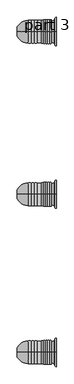
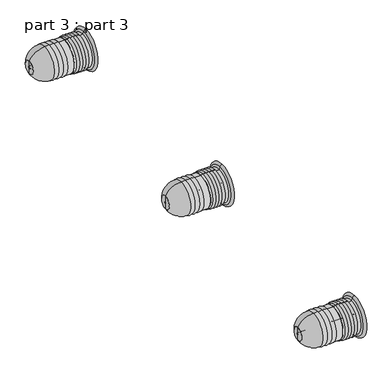
"""IFC4 building model written with IfcOpenShell, lengths in millimetres: proxy geometry, part 3 : part 3."""

from ifc_helpers import new_model, si_unit, point, frame, origin, place, context, project, spatial, polyline, circle_curve, ellipse_curve, trimmed, source, transform, mapped, element, save
from ifc_brep_helpers import plane_surface, cylinder_surface, revolved_surface, advanced_brep


def part_3_part_3_3fe7b2ac(model_context):
    return source(origin(), model_context, "Body", "AdvancedBrep", [
        advanced_brep(
        [(-408.9456276, -3143.5073921, 2492.4326799), (-408.9456276, -3143.5073921, 2707.5673201), (-447.179856, -3143.5073921, 2707.5673201), (-447.179856, -3143.5073921, 2492.4326799), (-408.9456276, -3143.5073921, 2593.5903117), (-408.9456276, -3143.5073921, 2606.4096883), (-638.9456276, -3143.5073921, 2593.5903117), (-638.9456276, -3143.5073921, 2606.4096883), (-638.9456276, -3143.5073921, 2556.0229916), (-638.9456276, -3143.5073921, 2643.9770084), (-537.179856, -3143.5073921, 2492.4326799), (-537.179856, -3143.5073921, 2707.5673201), (-507.179856, -3143.5073921, 2492.4326799), (-507.179856, -3143.5073921, 2707.5673201), (-477.179856, -3143.5073921, 2492.4326799), (-477.179856, -3143.5073921, 2707.5673201)],
        [
            (0, 1, circle_curve(frame((-408.9456276, -3143.5073921, 2600.0), z_axis=(-1.0, 0.0, 0.0), x_axis=(0.0, 0.0, 1.0)), 107.5673201)),
            (1, 2),
            (2, 3, circle_curve(frame((-447.179856, -3143.5073921, 2600.0), z_axis=(1.0, 0.0, 0.0), x_axis=(0.0, 0.0, 1.0)), 107.5673201)),
            (3, 0),
            (1, 0, circle_curve(frame((-408.9456276, -3143.5073921, 2600.0), z_axis=(-1.0, 0.0, 0.0), x_axis=(0.0, 0.0, 1.0)), 107.5673201)),
            (3, 2, circle_curve(frame((-447.179856, -3143.5073921, 2600.0), z_axis=(1.0, 0.0, 0.0), x_axis=(0.0, 0.0, 1.0)), 107.5673201)),
            (4, 5, circle_curve(frame((-408.9456276, -3143.5073921, 2600.0), z_axis=(-1.0, 0.0, 0.0), x_axis=(0.0, 0.0, 1.0)), 6.4096883)),
            (5, 1),
            (0, 4),
            (5, 4, circle_curve(frame((-408.9456276, -3143.5073921, 2600.0), z_axis=(-1.0, 0.0, 0.0), x_axis=(0.0, 0.0, 1.0)), 6.4096883)),
            (6, 7, circle_curve(frame((-638.9456276, -3143.5073921, 2600.0), z_axis=(-1.0, 0.0, 0.0), x_axis=(0.0, 0.0, 1.0)), 6.4096883)),
            (7, 5),
            (4, 6),
            (7, 6, circle_curve(frame((-638.9456276, -3143.5073921, 2600.0), z_axis=(-1.0, 0.0, 0.0), x_axis=(0.0, 0.0, 1.0)), 6.4096883)),
            (8, 9, circle_curve(frame((-638.9456276, -3143.5073921, 2600.0), z_axis=(-1.0, 0.0, 0.0), x_axis=(0.0, 0.0, 1.0)), 43.9770084)),
            (9, 7),
            (6, 8),
            (9, 8, circle_curve(frame((-638.9456276, -3143.5073921, 2600.0), z_axis=(-1.0, 0.0, 0.0), x_axis=(0.0, 0.0, 1.0)), 43.9770084)),
            (10, 11, circle_curve(frame((-537.179856, -3143.5073921, 2600.0), z_axis=(-1.0, 0.0, 0.0), x_axis=(0.0, 0.0, 1.0)), 107.5673201)),
            (11, 9, circle_curve(frame((-535.8773838, -3143.5073921, 2592.2581339), z_axis=(0.0, -1.0, 0.0), x_axis=(0.0, 0.0, -1.0)), 115.316542)),
            (8, 10, circle_curve(frame((-535.8773838, -3143.5073921, 2607.7418661), z_axis=(0.0, -1.0, 0.0), x_axis=(0.0, 0.0, 1.0)), 115.316542)),
            (11, 10, circle_curve(frame((-537.179856, -3143.5073921, 2600.0), z_axis=(-1.0, 0.0, 0.0), x_axis=(0.0, 0.0, 1.0)), 107.5673201)),
            (12, 13, circle_curve(frame((-507.179856, -3143.5073921, 2600.0), z_axis=(-1.0, 0.0, 0.0), x_axis=(0.0, 0.0, 1.0)), 107.5673201)),
            (13, 11, circle_curve(frame((-522.179856, -3143.5073921, 2665.6744089), z_axis=(0.0, -1.0, 0.0), x_axis=(0.0, 0.0, -1.0)), 44.4973708)),
            (10, 12, circle_curve(frame((-522.179856, -3143.5073921, 2534.3255911), z_axis=(0.0, -1.0, 0.0), x_axis=(0.0, 0.0, 1.0)), 44.4973708)),
            (13, 12, circle_curve(frame((-507.179856, -3143.5073921, 2600.0), z_axis=(-1.0, 0.0, 0.0), x_axis=(0.0, 0.0, 1.0)), 107.5673201)),
            (14, 15, circle_curve(frame((-477.179856, -3143.5073921, 2600.0), z_axis=(-1.0, 0.0, 0.0), x_axis=(0.0, 0.0, 1.0)), 107.5673201)),
            (15, 13, circle_curve(frame((-492.179856, -3143.5073921, 2665.6744089), z_axis=(0.0, -1.0, 0.0), x_axis=(0.0, 0.0, -1.0)), 44.4973708)),
            (12, 14, circle_curve(frame((-492.179856, -3143.5073921, 2534.3255911), z_axis=(0.0, -1.0, 0.0), x_axis=(0.0, 0.0, 1.0)), 44.4973708)),
            (15, 14, circle_curve(frame((-477.179856, -3143.5073921, 2600.0), z_axis=(-1.0, 0.0, 0.0), x_axis=(0.0, 0.0, 1.0)), 107.5673201)),
            (2, 15, circle_curve(frame((-462.179856, -3143.5073921, 2665.6744089), z_axis=(0.0, -1.0, 0.0), x_axis=(0.0, 0.0, -1.0)), 44.4973708)),
            (14, 3, circle_curve(frame((-462.179856, -3143.5073921, 2534.3255911), z_axis=(0.0, -1.0, 0.0), x_axis=(0.0, 0.0, 1.0)), 44.4973708)),
        ],
        [
            cylinder_surface(frame((-638.9456276, -3143.5073921, 2600.0), z_axis=(1.0, 0.0, 0.0), x_axis=(0.0, 0.0, 1.0)), 107.5673201),
            plane_surface(frame((-408.9456276, -3143.5073921, 2600.0), z_axis=(1.0, 0.0, 0.0), x_axis=(0.0, 0.0, 1.0))),
            revolved_surface(polyline([(-408.9456276, -3143.5073921, 2606.4096883), (-638.9456276, -3143.5073921, 2606.4096883)]), (-638.9456276, -3143.5073921, 2600.0), (1.0, 0.0, 0.0)),
            plane_surface(frame((-638.9456276, -3143.5073921, 2600.0), z_axis=(-1.0, 0.0, 0.0), x_axis=(0.0, 0.0, 1.0))),
            revolved_surface(trimmed(ellipse_curve(frame((-535.8773838, -3143.5073921, 2592.2581339), z_axis=(0.0, 1.0, 0.0), x_axis=(0.0, 0.0, -1.0)), 115.316542, 115.316542), [point((-638.9456276, -3143.5073921, 2643.9770084))], [point((-537.179856, -3143.5073921, 2707.5673201))], True, "CARTESIAN"), (-638.9456276, -3143.5073921, 2600.0), (1.0, 0.0, 0.0)),
            revolved_surface(trimmed(ellipse_curve(frame((-522.179856, -3143.5073921, 2665.6744089), z_axis=(0.0, 1.0, 0.0), x_axis=(0.0, 0.0, -1.0)), 44.4973708, 44.4973708), [point((-537.179856, -3143.5073921, 2707.5673201))], [point((-507.179856, -3143.5073921, 2707.5673201))], True, "CARTESIAN"), (-638.9456276, -3143.5073921, 2600.0), (1.0, 0.0, 0.0)),
            revolved_surface(trimmed(ellipse_curve(frame((-492.179856, -3143.5073921, 2665.6744089), z_axis=(0.0, 1.0, 0.0), x_axis=(0.0, 0.0, -1.0)), 44.4973708, 44.4973708), [point((-507.179856, -3143.5073921, 2707.5673201))], [point((-477.179856, -3143.5073921, 2707.5673201))], True, "CARTESIAN"), (-638.9456276, -3143.5073921, 2600.0), (1.0, 0.0, 0.0)),
            revolved_surface(trimmed(ellipse_curve(frame((-462.179856, -3143.5073921, 2665.6744089), z_axis=(0.0, 1.0, 0.0), x_axis=(0.0, 0.0, -1.0)), 44.4973708, 44.4973708), [point((-477.179856, -3143.5073921, 2707.5673201))], [point((-447.179856, -3143.5073921, 2707.5673201))], True, "CARTESIAN"), (-638.9456276, -3143.5073921, 2600.0), (1.0, 0.0, 0.0)),
        ],
        [
            (0, [[1, 2, 3, 4]]),
            (0, [[5, -4, 6, -2]]),
            (1, [[7, 8, -1, 9]]),
            (1, [[10, -9, -5, -8]]),
            (2, [[11, 12, -7, 13]]),
            (2, [[14, -13, -10, -12]]),
            (3, [[15, 16, -11, 17]]),
            (3, [[18, -17, -14, -16]]),
            (4, [[19, 20, -15, 21]]),
            (4, [[22, -21, -18, -20]]),
            (5, [[23, 24, -19, 25]]),
            (5, [[26, -25, -22, -24]]),
            (6, [[27, 28, -23, 29]]),
            (6, [[30, -29, -26, -28]]),
            (7, [[-3, 31, -27, 32]]),
            (7, [[-6, -32, -30, -31]]),
        ],
    ),
        advanced_brep(
        [(-372.179856, -3143.5073921, 2490.0), (-372.179856, -3143.5073921, 2710.0), (-392.179856, -3143.5073921, 2710.0), (-392.179856, -3143.5073921, 2490.0), (-352.179856, -3143.5073921, 2490.0), (-352.179856, -3143.5073921, 2710.0), (-332.179856, -3143.5073921, 2490.0), (-332.179856, -3143.5073921, 2710.0), (-312.179856, -3143.5073921, 2490.0), (-312.179856, -3143.5073921, 2710.0), (-312.179856, -3143.5073921, 2500.0), (-312.179856, -3143.5073921, 2700.0), (-288.8843297, -3143.5073921, 2492.2404893), (-288.8843297, -3143.5073921, 2707.7595107), (-267.179856, -3143.5073921, 2595.0), (-267.179856, -3143.5073921, 2605.0), (-267.179856, -3143.5073921, 2735.0), (-267.179856, -3143.5073921, 2465.0), (-407.179856, -3143.5073921, 2595.0), (-407.179856, -3143.5073921, 2605.0), (-407.179856, -3143.5073921, 2490.0), (-407.179856, -3143.5073921, 2710.0), (-281.3219917, -3143.5073921, 2479.1421356), (-281.3219917, -3143.5073921, 2720.8578644)],
        [
            (0, 1, circle_curve(frame((-372.179856, -3143.5073921, 2600.0), z_axis=(-1.0, 0.0, 0.0), x_axis=(0.0, 0.0, 1.0)), 110.0)),
            (1, 2, circle_curve(frame((-382.179856, -3143.5073921, 2701.2145309), z_axis=(0.0, -1.0, 0.0), x_axis=(0.0, 0.0, -1.0)), 13.3110656)),
            (2, 3, circle_curve(frame((-392.179856, -3143.5073921, 2600.0), z_axis=(1.0, 0.0, 0.0), x_axis=(0.0, 0.0, 1.0)), 110.0)),
            (3, 0, circle_curve(frame((-382.179856, -3143.5073921, 2498.7854691), z_axis=(0.0, -1.0, 0.0), x_axis=(0.0, 0.0, 1.0)), 13.3110656)),
            (1, 0, circle_curve(frame((-372.179856, -3143.5073921, 2600.0), z_axis=(-1.0, 0.0, 0.0), x_axis=(0.0, 0.0, 1.0)), 110.0)),
            (3, 2, circle_curve(frame((-392.179856, -3143.5073921, 2600.0), z_axis=(1.0, 0.0, 0.0), x_axis=(0.0, 0.0, 1.0)), 110.0)),
            (4, 5, circle_curve(frame((-352.179856, -3143.5073921, 2600.0), z_axis=(-1.0, 0.0, 0.0), x_axis=(0.0, 0.0, 1.0)), 110.0)),
            (5, 1, circle_curve(frame((-362.179856, -3143.5073921, 2701.2145309), z_axis=(0.0, -1.0, 0.0), x_axis=(0.0, 0.0, -1.0)), 13.3110656)),
            (0, 4, circle_curve(frame((-362.179856, -3143.5073921, 2498.7854691), z_axis=(0.0, -1.0, 0.0), x_axis=(0.0, 0.0, 1.0)), 13.3110656)),
            (5, 4, circle_curve(frame((-352.179856, -3143.5073921, 2600.0), z_axis=(-1.0, 0.0, 0.0), x_axis=(0.0, 0.0, 1.0)), 110.0)),
            (6, 7, circle_curve(frame((-332.179856, -3143.5073921, 2600.0), z_axis=(-1.0, 0.0, 0.0), x_axis=(0.0, 0.0, 1.0)), 110.0)),
            (7, 5, circle_curve(frame((-342.179856, -3143.5073921, 2701.2145309), z_axis=(0.0, -1.0, 0.0), x_axis=(0.0, 0.0, -1.0)), 13.3110656)),
            (4, 6, circle_curve(frame((-342.179856, -3143.5073921, 2498.7854691), z_axis=(0.0, -1.0, 0.0), x_axis=(0.0, 0.0, 1.0)), 13.3110656)),
            (7, 6, circle_curve(frame((-332.179856, -3143.5073921, 2600.0), z_axis=(-1.0, 0.0, 0.0), x_axis=(0.0, 0.0, 1.0)), 110.0)),
            (8, 9, circle_curve(frame((-312.179856, -3143.5073921, 2600.0), z_axis=(-1.0, 0.0, 0.0), x_axis=(0.0, 0.0, 1.0)), 110.0)),
            (9, 7, circle_curve(frame((-322.179856, -3143.5073921, 2701.2145309), z_axis=(0.0, -1.0, 0.0), x_axis=(0.0, 0.0, -1.0)), 13.3110656)),
            (6, 8, circle_curve(frame((-322.179856, -3143.5073921, 2498.7854691), z_axis=(0.0, -1.0, 0.0), x_axis=(0.0, 0.0, 1.0)), 13.3110656)),
            (9, 8, circle_curve(frame((-312.179856, -3143.5073921, 2600.0), z_axis=(-1.0, 0.0, 0.0), x_axis=(0.0, 0.0, 1.0)), 110.0)),
            (10, 11, circle_curve(frame((-312.179856, -3143.5073921, 2600.0), z_axis=(-1.0, 0.0, 0.0), x_axis=(0.0, 0.0, 1.0)), 100.0)),
            (11, 9),
            (8, 10),
            (11, 10, circle_curve(frame((-312.179856, -3143.5073921, 2600.0), z_axis=(-1.0, 0.0, 0.0), x_axis=(0.0, 0.0, 1.0)), 100.0)),
            (12, 13, circle_curve(frame((-288.8843297, -3143.5073921, 2600.0), z_axis=(-1.0, 0.0, 0.0), x_axis=(0.0, 0.0, 1.0)), 107.7595107)),
            (13, 11, circle_curve(frame((-267.179856, -3143.5073921, 2603.75), z_axis=(0.0, -1.0, 0.0), x_axis=(0.0, 0.0, -1.0)), 106.25)),
            (10, 12, circle_curve(frame((-267.179856, -3143.5073921, 2596.25), z_axis=(0.0, -1.0, 0.0), x_axis=(0.0, 0.0, 1.0)), 106.25)),
            (13, 12, circle_curve(frame((-288.8843297, -3143.5073921, 2600.0), z_axis=(-1.0, 0.0, 0.0), x_axis=(0.0, 0.0, 1.0)), 107.7595107)),
            (14, 15, circle_curve(frame((-267.179856, -3143.5073921, 2600.0), z_axis=(-1.0, 0.0, 0.0), x_axis=(0.0, 0.0, 1.0)), 5.0)),
            (15, 16),
            (16, 17, circle_curve(frame((-267.179856, -3143.5073921, 2600.0), z_axis=(1.0, 0.0, 0.0), x_axis=(0.0, 0.0, 1.0)), 135.0)),
            (17, 14),
            (15, 14, circle_curve(frame((-267.179856, -3143.5073921, 2600.0), z_axis=(-1.0, 0.0, 0.0), x_axis=(0.0, 0.0, 1.0)), 5.0)),
            (17, 16, circle_curve(frame((-267.179856, -3143.5073921, 2600.0), z_axis=(1.0, 0.0, 0.0), x_axis=(0.0, 0.0, 1.0)), 135.0)),
            (18, 19, circle_curve(frame((-407.179856, -3143.5073921, 2600.0), z_axis=(-1.0, 0.0, 0.0), x_axis=(0.0, 0.0, 1.0)), 5.0)),
            (19, 15),
            (14, 18),
            (19, 18, circle_curve(frame((-407.179856, -3143.5073921, 2600.0), z_axis=(-1.0, 0.0, 0.0), x_axis=(0.0, 0.0, 1.0)), 5.0)),
            (20, 21, circle_curve(frame((-407.179856, -3143.5073921, 2600.0), z_axis=(-1.0, 0.0, 0.0), x_axis=(0.0, 0.0, 1.0)), 110.0)),
            (21, 19),
            (18, 20),
            (21, 20, circle_curve(frame((-407.179856, -3143.5073921, 2600.0), z_axis=(-1.0, 0.0, 0.0), x_axis=(0.0, 0.0, 1.0)), 110.0)),
            (2, 21),
            (20, 3),
            (22, 23, circle_curve(frame((-281.3219917, -3143.5073921, 2600.0), z_axis=(-1.0, 0.0, 0.0), x_axis=(0.0, 0.0, 1.0)), 120.8578644)),
            (23, 13),
            (12, 22),
            (23, 22, circle_curve(frame((-281.3219917, -3143.5073921, 2600.0), z_axis=(-1.0, 0.0, 0.0), x_axis=(0.0, 0.0, 1.0)), 120.8578644)),
            (16, 23, circle_curve(frame((-267.179856, -3143.5073921, 2720.8578644), z_axis=(0.0, -1.0, 0.0), x_axis=(0.0, 0.0, -1.0)), 14.1421356)),
            (22, 17, circle_curve(frame((-267.179856, -3143.5073921, 2479.1421356), z_axis=(0.0, -1.0, 0.0), x_axis=(0.0, 0.0, 1.0)), 14.1421356)),
        ],
        [
            revolved_surface(trimmed(ellipse_curve(frame((-382.179856, -3143.5073921, 2701.2145309), z_axis=(0.0, 1.0, 0.0), x_axis=(0.0, 0.0, -1.0)), 13.3110656, 13.3110656), [point((-392.179856, -3143.5073921, 2710.0))], [point((-372.179856, -3143.5073921, 2710.0))], True, "CARTESIAN"), (-407.179856, -3143.5073921, 2600.0), (1.0, 0.0, 0.0)),
            revolved_surface(trimmed(ellipse_curve(frame((-362.179856, -3143.5073921, 2701.2145309), z_axis=(0.0, 1.0, 0.0), x_axis=(0.0, 0.0, -1.0)), 13.3110656, 13.3110656), [point((-372.179856, -3143.5073921, 2710.0))], [point((-352.179856, -3143.5073921, 2710.0))], True, "CARTESIAN"), (-407.179856, -3143.5073921, 2600.0), (1.0, 0.0, 0.0)),
            revolved_surface(trimmed(ellipse_curve(frame((-342.179856, -3143.5073921, 2701.2145309), z_axis=(0.0, 1.0, 0.0), x_axis=(0.0, 0.0, -1.0)), 13.3110656, 13.3110656), [point((-352.179856, -3143.5073921, 2710.0))], [point((-332.179856, -3143.5073921, 2710.0))], True, "CARTESIAN"), (-407.179856, -3143.5073921, 2600.0), (1.0, 0.0, 0.0)),
            revolved_surface(trimmed(ellipse_curve(frame((-322.179856, -3143.5073921, 2701.2145309), z_axis=(0.0, 1.0, 0.0), x_axis=(0.0, 0.0, -1.0)), 13.3110656, 13.3110656), [point((-332.179856, -3143.5073921, 2710.0))], [point((-312.179856, -3143.5073921, 2710.0))], True, "CARTESIAN"), (-407.179856, -3143.5073921, 2600.0), (1.0, 0.0, 0.0)),
            plane_surface(frame((-312.179856, -3143.5073921, 2600.0), z_axis=(1.0, 0.0, 0.0), x_axis=(0.0, 0.0, 1.0))),
            revolved_surface(trimmed(ellipse_curve(frame((-267.179856, -3143.5073921, 2603.75), z_axis=(0.0, 1.0, 0.0), x_axis=(0.0, 0.0, -1.0)), 106.25, 106.25), [point((-312.179856, -3143.5073921, 2700.0))], [point((-288.8843297, -3143.5073921, 2707.7595107))], True, "CARTESIAN"), (-407.179856, -3143.5073921, 2600.0), (1.0, 0.0, 0.0)),
            plane_surface(frame((-267.179856, -3143.5073921, 2600.0), z_axis=(1.0, 0.0, 0.0), x_axis=(0.0, 0.0, 1.0))),
            revolved_surface(polyline([(-267.179856, -3143.5073921, 2605.0), (-407.179856, -3143.5073921, 2605.0)]), (-407.179856, -3143.5073921, 2600.0), (1.0, 0.0, 0.0)),
            plane_surface(frame((-407.179856, -3143.5073921, 2600.0), z_axis=(-1.0, 0.0, 0.0), x_axis=(0.0, 0.0, 1.0))),
            cylinder_surface(frame((-407.179856, -3143.5073921, 2600.0), z_axis=(1.0, 0.0, 0.0), x_axis=(0.0, 0.0, 1.0)), 110.0),
            revolved_surface(polyline([(-288.8843297, -3143.5073921, 2707.7595107), (-281.3219917, -3143.5073921, 2720.8578644)]), (-407.179856, -3143.5073921, 2600.0), (1.0, 0.0, 0.0)),
            revolved_surface(trimmed(ellipse_curve(frame((-267.179856, -3143.5073921, 2720.8578644), z_axis=(0.0, 1.0, 0.0), x_axis=(0.0, 0.0, -1.0)), 14.1421356, 14.1421356), [point((-281.3219917, -3143.5073921, 2720.8578644))], [point((-267.179856, -3143.5073921, 2735.0))], True, "CARTESIAN"), (-407.179856, -3143.5073921, 2600.0), (1.0, 0.0, 0.0)),
        ],
        [
            (0, [[1, 2, 3, 4]]),
            (0, [[5, -4, 6, -2]]),
            (1, [[7, 8, -1, 9]]),
            (1, [[10, -9, -5, -8]]),
            (2, [[11, 12, -7, 13]]),
            (2, [[14, -13, -10, -12]]),
            (3, [[15, 16, -11, 17]]),
            (3, [[18, -17, -14, -16]]),
            (4, [[19, 20, -15, 21]]),
            (4, [[22, -21, -18, -20]]),
            (5, [[23, 24, -19, 25]]),
            (5, [[26, -25, -22, -24]]),
            (6, [[27, 28, 29, 30]]),
            (6, [[31, -30, 32, -28]]),
            (7, [[33, 34, -27, 35]]),
            (7, [[36, -35, -31, -34]]),
            (8, [[37, 38, -33, 39]]),
            (8, [[40, -39, -36, -38]]),
            (9, [[-3, 41, -37, 42]]),
            (9, [[-6, -42, -40, -41]]),
            (10, [[43, 44, -23, 45]]),
            (10, [[46, -45, -26, -44]]),
            (11, [[-29, 47, -43, 48]]),
            (11, [[-32, -48, -46, -47]]),
        ],
    ),
        advanced_brep(
        [(-408.9456276, -1643.5073921, 2492.4326799), (-408.9456276, -1643.5073921, 2707.5673201), (-447.179856, -1643.5073921, 2707.5673201), (-447.179856, -1643.5073921, 2492.4326799), (-408.9456276, -1643.5073921, 2593.5903117), (-408.9456276, -1643.5073921, 2606.4096883), (-638.9456276, -1643.5073921, 2593.5903117), (-638.9456276, -1643.5073921, 2606.4096883), (-638.9456276, -1643.5073921, 2556.0229916), (-638.9456276, -1643.5073921, 2643.9770084), (-537.179856, -1643.5073921, 2492.4326799), (-537.179856, -1643.5073921, 2707.5673201), (-507.179856, -1643.5073921, 2492.4326799), (-507.179856, -1643.5073921, 2707.5673201), (-477.179856, -1643.5073921, 2492.4326799), (-477.179856, -1643.5073921, 2707.5673201)],
        [
            (0, 1, circle_curve(frame((-408.9456276, -1643.5073921, 2600.0), z_axis=(-1.0, 0.0, 0.0), x_axis=(0.0, 0.0, 1.0)), 107.5673201)),
            (1, 2),
            (2, 3, circle_curve(frame((-447.179856, -1643.5073921, 2600.0), z_axis=(1.0, 0.0, 0.0), x_axis=(0.0, 0.0, 1.0)), 107.5673201)),
            (3, 0),
            (1, 0, circle_curve(frame((-408.9456276, -1643.5073921, 2600.0), z_axis=(-1.0, 0.0, 0.0), x_axis=(0.0, 0.0, 1.0)), 107.5673201)),
            (3, 2, circle_curve(frame((-447.179856, -1643.5073921, 2600.0), z_axis=(1.0, 0.0, 0.0), x_axis=(0.0, 0.0, 1.0)), 107.5673201)),
            (4, 5, circle_curve(frame((-408.9456276, -1643.5073921, 2600.0), z_axis=(-1.0, 0.0, 0.0), x_axis=(0.0, 0.0, 1.0)), 6.4096883)),
            (5, 1),
            (0, 4),
            (5, 4, circle_curve(frame((-408.9456276, -1643.5073921, 2600.0), z_axis=(-1.0, 0.0, 0.0), x_axis=(0.0, 0.0, 1.0)), 6.4096883)),
            (6, 7, circle_curve(frame((-638.9456276, -1643.5073921, 2600.0), z_axis=(-1.0, 0.0, 0.0), x_axis=(0.0, 0.0, 1.0)), 6.4096883)),
            (7, 5),
            (4, 6),
            (7, 6, circle_curve(frame((-638.9456276, -1643.5073921, 2600.0), z_axis=(-1.0, 0.0, 0.0), x_axis=(0.0, 0.0, 1.0)), 6.4096883)),
            (8, 9, circle_curve(frame((-638.9456276, -1643.5073921, 2600.0), z_axis=(-1.0, 0.0, 0.0), x_axis=(0.0, 0.0, 1.0)), 43.9770084)),
            (9, 7),
            (6, 8),
            (9, 8, circle_curve(frame((-638.9456276, -1643.5073921, 2600.0), z_axis=(-1.0, 0.0, 0.0), x_axis=(0.0, 0.0, 1.0)), 43.9770084)),
            (10, 11, circle_curve(frame((-537.179856, -1643.5073921, 2600.0), z_axis=(-1.0, 0.0, 0.0), x_axis=(0.0, 0.0, 1.0)), 107.5673201)),
            (11, 9, circle_curve(frame((-535.8773838, -1643.5073921, 2592.2581339), z_axis=(0.0, -1.0, 0.0), x_axis=(0.0, 0.0, -1.0)), 115.316542)),
            (8, 10, circle_curve(frame((-535.8773838, -1643.5073921, 2607.7418661), z_axis=(0.0, -1.0, 0.0), x_axis=(0.0, 0.0, 1.0)), 115.316542)),
            (11, 10, circle_curve(frame((-537.179856, -1643.5073921, 2600.0), z_axis=(-1.0, 0.0, 0.0), x_axis=(0.0, 0.0, 1.0)), 107.5673201)),
            (12, 13, circle_curve(frame((-507.179856, -1643.5073921, 2600.0), z_axis=(-1.0, 0.0, 0.0), x_axis=(0.0, 0.0, 1.0)), 107.5673201)),
            (13, 11, circle_curve(frame((-522.179856, -1643.5073921, 2665.6744089), z_axis=(0.0, -1.0, 0.0), x_axis=(0.0, 0.0, -1.0)), 44.4973708)),
            (10, 12, circle_curve(frame((-522.179856, -1643.5073921, 2534.3255911), z_axis=(0.0, -1.0, 0.0), x_axis=(0.0, 0.0, 1.0)), 44.4973708)),
            (13, 12, circle_curve(frame((-507.179856, -1643.5073921, 2600.0), z_axis=(-1.0, 0.0, 0.0), x_axis=(0.0, 0.0, 1.0)), 107.5673201)),
            (14, 15, circle_curve(frame((-477.179856, -1643.5073921, 2600.0), z_axis=(-1.0, 0.0, 0.0), x_axis=(0.0, 0.0, 1.0)), 107.5673201)),
            (15, 13, circle_curve(frame((-492.179856, -1643.5073921, 2665.6744089), z_axis=(0.0, -1.0, 0.0), x_axis=(0.0, 0.0, -1.0)), 44.4973708)),
            (12, 14, circle_curve(frame((-492.179856, -1643.5073921, 2534.3255911), z_axis=(0.0, -1.0, 0.0), x_axis=(0.0, 0.0, 1.0)), 44.4973708)),
            (15, 14, circle_curve(frame((-477.179856, -1643.5073921, 2600.0), z_axis=(-1.0, 0.0, 0.0), x_axis=(0.0, 0.0, 1.0)), 107.5673201)),
            (2, 15, circle_curve(frame((-462.179856, -1643.5073921, 2665.6744089), z_axis=(0.0, -1.0, 0.0), x_axis=(0.0, 0.0, -1.0)), 44.4973708)),
            (14, 3, circle_curve(frame((-462.179856, -1643.5073921, 2534.3255911), z_axis=(0.0, -1.0, 0.0), x_axis=(0.0, 0.0, 1.0)), 44.4973708)),
        ],
        [
            cylinder_surface(frame((-638.9456276, -1643.5073921, 2600.0), z_axis=(1.0, 0.0, 0.0), x_axis=(0.0, 0.0, 1.0)), 107.5673201),
            plane_surface(frame((-408.9456276, -1643.5073921, 2600.0), z_axis=(1.0, 0.0, 0.0), x_axis=(0.0, 0.0, 1.0))),
            revolved_surface(polyline([(-408.9456276, -1643.5073921, 2606.4096883), (-638.9456276, -1643.5073921, 2606.4096883)]), (-638.9456276, -1643.5073921, 2600.0), (1.0, 0.0, 0.0)),
            plane_surface(frame((-638.9456276, -1643.5073921, 2600.0), z_axis=(-1.0, 0.0, 0.0), x_axis=(0.0, 0.0, 1.0))),
            revolved_surface(trimmed(ellipse_curve(frame((-535.8773838, -1643.5073921, 2592.2581339), z_axis=(0.0, 1.0, 0.0), x_axis=(0.0, 0.0, -1.0)), 115.316542, 115.316542), [point((-638.9456276, -1643.5073921, 2643.9770084))], [point((-537.179856, -1643.5073921, 2707.5673201))], True, "CARTESIAN"), (-638.9456276, -1643.5073921, 2600.0), (1.0, 0.0, 0.0)),
            revolved_surface(trimmed(ellipse_curve(frame((-522.179856, -1643.5073921, 2665.6744089), z_axis=(0.0, 1.0, 0.0), x_axis=(0.0, 0.0, -1.0)), 44.4973708, 44.4973708), [point((-537.179856, -1643.5073921, 2707.5673201))], [point((-507.179856, -1643.5073921, 2707.5673201))], True, "CARTESIAN"), (-638.9456276, -1643.5073921, 2600.0), (1.0, 0.0, 0.0)),
            revolved_surface(trimmed(ellipse_curve(frame((-492.179856, -1643.5073921, 2665.6744089), z_axis=(0.0, 1.0, 0.0), x_axis=(0.0, 0.0, -1.0)), 44.4973708, 44.4973708), [point((-507.179856, -1643.5073921, 2707.5673201))], [point((-477.179856, -1643.5073921, 2707.5673201))], True, "CARTESIAN"), (-638.9456276, -1643.5073921, 2600.0), (1.0, 0.0, 0.0)),
            revolved_surface(trimmed(ellipse_curve(frame((-462.179856, -1643.5073921, 2665.6744089), z_axis=(0.0, 1.0, 0.0), x_axis=(0.0, 0.0, -1.0)), 44.4973708, 44.4973708), [point((-477.179856, -1643.5073921, 2707.5673201))], [point((-447.179856, -1643.5073921, 2707.5673201))], True, "CARTESIAN"), (-638.9456276, -1643.5073921, 2600.0), (1.0, 0.0, 0.0)),
        ],
        [
            (0, [[1, 2, 3, 4]]),
            (0, [[5, -4, 6, -2]]),
            (1, [[7, 8, -1, 9]]),
            (1, [[10, -9, -5, -8]]),
            (2, [[11, 12, -7, 13]]),
            (2, [[14, -13, -10, -12]]),
            (3, [[15, 16, -11, 17]]),
            (3, [[18, -17, -14, -16]]),
            (4, [[19, 20, -15, 21]]),
            (4, [[22, -21, -18, -20]]),
            (5, [[23, 24, -19, 25]]),
            (5, [[26, -25, -22, -24]]),
            (6, [[27, 28, -23, 29]]),
            (6, [[30, -29, -26, -28]]),
            (7, [[-3, 31, -27, 32]]),
            (7, [[-6, -32, -30, -31]]),
        ],
    ),
        advanced_brep(
        [(-372.179856, -1643.5073921, 2490.0), (-372.179856, -1643.5073921, 2710.0), (-392.179856, -1643.5073921, 2710.0), (-392.179856, -1643.5073921, 2490.0), (-352.179856, -1643.5073921, 2490.0), (-352.179856, -1643.5073921, 2710.0), (-332.179856, -1643.5073921, 2490.0), (-332.179856, -1643.5073921, 2710.0), (-312.179856, -1643.5073921, 2490.0), (-312.179856, -1643.5073921, 2710.0), (-312.179856, -1643.5073921, 2500.0), (-312.179856, -1643.5073921, 2700.0), (-288.8843297, -1643.5073921, 2492.2404893), (-288.8843297, -1643.5073921, 2707.7595107), (-267.179856, -1643.5073921, 2595.0), (-267.179856, -1643.5073921, 2605.0), (-267.179856, -1643.5073921, 2735.0), (-267.179856, -1643.5073921, 2465.0), (-407.179856, -1643.5073921, 2595.0), (-407.179856, -1643.5073921, 2605.0), (-407.179856, -1643.5073921, 2490.0), (-407.179856, -1643.5073921, 2710.0), (-281.3219917, -1643.5073921, 2479.1421356), (-281.3219917, -1643.5073921, 2720.8578644)],
        [
            (0, 1, circle_curve(frame((-372.179856, -1643.5073921, 2600.0), z_axis=(-1.0, 0.0, 0.0), x_axis=(0.0, 0.0, 1.0)), 110.0)),
            (1, 2, circle_curve(frame((-382.179856, -1643.5073921, 2701.2145309), z_axis=(0.0, -1.0, 0.0), x_axis=(0.0, 0.0, -1.0)), 13.3110656)),
            (2, 3, circle_curve(frame((-392.179856, -1643.5073921, 2600.0), z_axis=(1.0, 0.0, 0.0), x_axis=(0.0, 0.0, 1.0)), 110.0)),
            (3, 0, circle_curve(frame((-382.179856, -1643.5073921, 2498.7854691), z_axis=(0.0, -1.0, 0.0), x_axis=(0.0, 0.0, 1.0)), 13.3110656)),
            (1, 0, circle_curve(frame((-372.179856, -1643.5073921, 2600.0), z_axis=(-1.0, 0.0, 0.0), x_axis=(0.0, 0.0, 1.0)), 110.0)),
            (3, 2, circle_curve(frame((-392.179856, -1643.5073921, 2600.0), z_axis=(1.0, 0.0, 0.0), x_axis=(0.0, 0.0, 1.0)), 110.0)),
            (4, 5, circle_curve(frame((-352.179856, -1643.5073921, 2600.0), z_axis=(-1.0, 0.0, 0.0), x_axis=(0.0, 0.0, 1.0)), 110.0)),
            (5, 1, circle_curve(frame((-362.179856, -1643.5073921, 2701.2145309), z_axis=(0.0, -1.0, 0.0), x_axis=(0.0, 0.0, -1.0)), 13.3110656)),
            (0, 4, circle_curve(frame((-362.179856, -1643.5073921, 2498.7854691), z_axis=(0.0, -1.0, 0.0), x_axis=(0.0, 0.0, 1.0)), 13.3110656)),
            (5, 4, circle_curve(frame((-352.179856, -1643.5073921, 2600.0), z_axis=(-1.0, 0.0, 0.0), x_axis=(0.0, 0.0, 1.0)), 110.0)),
            (6, 7, circle_curve(frame((-332.179856, -1643.5073921, 2600.0), z_axis=(-1.0, 0.0, 0.0), x_axis=(0.0, 0.0, 1.0)), 110.0)),
            (7, 5, circle_curve(frame((-342.179856, -1643.5073921, 2701.2145309), z_axis=(0.0, -1.0, 0.0), x_axis=(0.0, 0.0, -1.0)), 13.3110656)),
            (4, 6, circle_curve(frame((-342.179856, -1643.5073921, 2498.7854691), z_axis=(0.0, -1.0, 0.0), x_axis=(0.0, 0.0, 1.0)), 13.3110656)),
            (7, 6, circle_curve(frame((-332.179856, -1643.5073921, 2600.0), z_axis=(-1.0, 0.0, 0.0), x_axis=(0.0, 0.0, 1.0)), 110.0)),
            (8, 9, circle_curve(frame((-312.179856, -1643.5073921, 2600.0), z_axis=(-1.0, 0.0, 0.0), x_axis=(0.0, 0.0, 1.0)), 110.0)),
            (9, 7, circle_curve(frame((-322.179856, -1643.5073921, 2701.2145309), z_axis=(0.0, -1.0, 0.0), x_axis=(0.0, 0.0, -1.0)), 13.3110656)),
            (6, 8, circle_curve(frame((-322.179856, -1643.5073921, 2498.7854691), z_axis=(0.0, -1.0, 0.0), x_axis=(0.0, 0.0, 1.0)), 13.3110656)),
            (9, 8, circle_curve(frame((-312.179856, -1643.5073921, 2600.0), z_axis=(-1.0, 0.0, 0.0), x_axis=(0.0, 0.0, 1.0)), 110.0)),
            (10, 11, circle_curve(frame((-312.179856, -1643.5073921, 2600.0), z_axis=(-1.0, 0.0, 0.0), x_axis=(0.0, 0.0, 1.0)), 100.0)),
            (11, 9),
            (8, 10),
            (11, 10, circle_curve(frame((-312.179856, -1643.5073921, 2600.0), z_axis=(-1.0, 0.0, 0.0), x_axis=(0.0, 0.0, 1.0)), 100.0)),
            (12, 13, circle_curve(frame((-288.8843297, -1643.5073921, 2600.0), z_axis=(-1.0, 0.0, 0.0), x_axis=(0.0, 0.0, 1.0)), 107.7595107)),
            (13, 11, circle_curve(frame((-267.179856, -1643.5073921, 2603.75), z_axis=(0.0, -1.0, 0.0), x_axis=(0.0, 0.0, -1.0)), 106.25)),
            (10, 12, circle_curve(frame((-267.179856, -1643.5073921, 2596.25), z_axis=(0.0, -1.0, 0.0), x_axis=(0.0, 0.0, 1.0)), 106.25)),
            (13, 12, circle_curve(frame((-288.8843297, -1643.5073921, 2600.0), z_axis=(-1.0, 0.0, 0.0), x_axis=(0.0, 0.0, 1.0)), 107.7595107)),
            (14, 15, circle_curve(frame((-267.179856, -1643.5073921, 2600.0), z_axis=(-1.0, 0.0, 0.0), x_axis=(0.0, 0.0, 1.0)), 5.0)),
            (15, 16),
            (16, 17, circle_curve(frame((-267.179856, -1643.5073921, 2600.0), z_axis=(1.0, 0.0, 0.0), x_axis=(0.0, 0.0, 1.0)), 135.0)),
            (17, 14),
            (15, 14, circle_curve(frame((-267.179856, -1643.5073921, 2600.0), z_axis=(-1.0, 0.0, 0.0), x_axis=(0.0, 0.0, 1.0)), 5.0)),
            (17, 16, circle_curve(frame((-267.179856, -1643.5073921, 2600.0), z_axis=(1.0, 0.0, 0.0), x_axis=(0.0, 0.0, 1.0)), 135.0)),
            (18, 19, circle_curve(frame((-407.179856, -1643.5073921, 2600.0), z_axis=(-1.0, 0.0, 0.0), x_axis=(0.0, 0.0, 1.0)), 5.0)),
            (19, 15),
            (14, 18),
            (19, 18, circle_curve(frame((-407.179856, -1643.5073921, 2600.0), z_axis=(-1.0, 0.0, 0.0), x_axis=(0.0, 0.0, 1.0)), 5.0)),
            (20, 21, circle_curve(frame((-407.179856, -1643.5073921, 2600.0), z_axis=(-1.0, 0.0, 0.0), x_axis=(0.0, 0.0, 1.0)), 110.0)),
            (21, 19),
            (18, 20),
            (21, 20, circle_curve(frame((-407.179856, -1643.5073921, 2600.0), z_axis=(-1.0, 0.0, 0.0), x_axis=(0.0, 0.0, 1.0)), 110.0)),
            (2, 21),
            (20, 3),
            (22, 23, circle_curve(frame((-281.3219917, -1643.5073921, 2600.0), z_axis=(-1.0, 0.0, 0.0), x_axis=(0.0, 0.0, 1.0)), 120.8578644)),
            (23, 13),
            (12, 22),
            (23, 22, circle_curve(frame((-281.3219917, -1643.5073921, 2600.0), z_axis=(-1.0, 0.0, 0.0), x_axis=(0.0, 0.0, 1.0)), 120.8578644)),
            (16, 23, circle_curve(frame((-267.179856, -1643.5073921, 2720.8578644), z_axis=(0.0, -1.0, 0.0), x_axis=(0.0, 0.0, -1.0)), 14.1421356)),
            (22, 17, circle_curve(frame((-267.179856, -1643.5073921, 2479.1421356), z_axis=(0.0, -1.0, 0.0), x_axis=(0.0, 0.0, 1.0)), 14.1421356)),
        ],
        [
            revolved_surface(trimmed(ellipse_curve(frame((-382.179856, -1643.5073921, 2701.2145309), z_axis=(0.0, 1.0, 0.0), x_axis=(0.0, 0.0, -1.0)), 13.3110656, 13.3110656), [point((-392.179856, -1643.5073921, 2710.0))], [point((-372.179856, -1643.5073921, 2710.0))], True, "CARTESIAN"), (-407.179856, -1643.5073921, 2600.0), (1.0, 0.0, 0.0)),
            revolved_surface(trimmed(ellipse_curve(frame((-362.179856, -1643.5073921, 2701.2145309), z_axis=(0.0, 1.0, 0.0), x_axis=(0.0, 0.0, -1.0)), 13.3110656, 13.3110656), [point((-372.179856, -1643.5073921, 2710.0))], [point((-352.179856, -1643.5073921, 2710.0))], True, "CARTESIAN"), (-407.179856, -1643.5073921, 2600.0), (1.0, 0.0, 0.0)),
            revolved_surface(trimmed(ellipse_curve(frame((-342.179856, -1643.5073921, 2701.2145309), z_axis=(0.0, 1.0, 0.0), x_axis=(0.0, 0.0, -1.0)), 13.3110656, 13.3110656), [point((-352.179856, -1643.5073921, 2710.0))], [point((-332.179856, -1643.5073921, 2710.0))], True, "CARTESIAN"), (-407.179856, -1643.5073921, 2600.0), (1.0, 0.0, 0.0)),
            revolved_surface(trimmed(ellipse_curve(frame((-322.179856, -1643.5073921, 2701.2145309), z_axis=(0.0, 1.0, 0.0), x_axis=(0.0, 0.0, -1.0)), 13.3110656, 13.3110656), [point((-332.179856, -1643.5073921, 2710.0))], [point((-312.179856, -1643.5073921, 2710.0))], True, "CARTESIAN"), (-407.179856, -1643.5073921, 2600.0), (1.0, 0.0, 0.0)),
            plane_surface(frame((-312.179856, -1643.5073921, 2600.0), z_axis=(1.0, 0.0, 0.0), x_axis=(0.0, 0.0, 1.0))),
            revolved_surface(trimmed(ellipse_curve(frame((-267.179856, -1643.5073921, 2603.75), z_axis=(0.0, 1.0, 0.0), x_axis=(0.0, 0.0, -1.0)), 106.25, 106.25), [point((-312.179856, -1643.5073921, 2700.0))], [point((-288.8843297, -1643.5073921, 2707.7595107))], True, "CARTESIAN"), (-407.179856, -1643.5073921, 2600.0), (1.0, 0.0, 0.0)),
            plane_surface(frame((-267.179856, -1643.5073921, 2600.0), z_axis=(1.0, 0.0, 0.0), x_axis=(0.0, 0.0, 1.0))),
            revolved_surface(polyline([(-267.179856, -1643.5073921, 2605.0), (-407.179856, -1643.5073921, 2605.0)]), (-407.179856, -1643.5073921, 2600.0), (1.0, 0.0, 0.0)),
            plane_surface(frame((-407.179856, -1643.5073921, 2600.0), z_axis=(-1.0, 0.0, 0.0), x_axis=(0.0, 0.0, 1.0))),
            cylinder_surface(frame((-407.179856, -1643.5073921, 2600.0), z_axis=(1.0, 0.0, 0.0), x_axis=(0.0, 0.0, 1.0)), 110.0),
            revolved_surface(polyline([(-288.8843297, -1643.5073921, 2707.7595107), (-281.3219917, -1643.5073921, 2720.8578644)]), (-407.179856, -1643.5073921, 2600.0), (1.0, 0.0, 0.0)),
            revolved_surface(trimmed(ellipse_curve(frame((-267.179856, -1643.5073921, 2720.8578644), z_axis=(0.0, 1.0, 0.0), x_axis=(0.0, 0.0, -1.0)), 14.1421356, 14.1421356), [point((-281.3219917, -1643.5073921, 2720.8578644))], [point((-267.179856, -1643.5073921, 2735.0))], True, "CARTESIAN"), (-407.179856, -1643.5073921, 2600.0), (1.0, 0.0, 0.0)),
        ],
        [
            (0, [[1, 2, 3, 4]]),
            (0, [[5, -4, 6, -2]]),
            (1, [[7, 8, -1, 9]]),
            (1, [[10, -9, -5, -8]]),
            (2, [[11, 12, -7, 13]]),
            (2, [[14, -13, -10, -12]]),
            (3, [[15, 16, -11, 17]]),
            (3, [[18, -17, -14, -16]]),
            (4, [[19, 20, -15, 21]]),
            (4, [[22, -21, -18, -20]]),
            (5, [[23, 24, -19, 25]]),
            (5, [[26, -25, -22, -24]]),
            (6, [[27, 28, 29, 30]]),
            (6, [[31, -30, 32, -28]]),
            (7, [[33, 34, -27, 35]]),
            (7, [[36, -35, -31, -34]]),
            (8, [[37, 38, -33, 39]]),
            (8, [[40, -39, -36, -38]]),
            (9, [[-3, 41, -37, 42]]),
            (9, [[-6, -42, -40, -41]]),
            (10, [[43, 44, -23, 45]]),
            (10, [[46, -45, -26, -44]]),
            (11, [[-29, 47, -43, 48]]),
            (11, [[-32, -48, -46, -47]]),
        ],
    ),
        advanced_brep(
        [(-408.9456276, -100.0, 2492.4326799), (-408.9456276, -100.0, 2707.5673201), (-447.179856, -100.0, 2707.5673201), (-447.179856, -100.0, 2492.4326799), (-408.9456276, -100.0, 2593.5903117), (-408.9456276, -100.0, 2606.4096883), (-638.9456276, -100.0, 2593.5903117), (-638.9456276, -100.0, 2606.4096883), (-638.9456276, -100.0, 2556.0229916), (-638.9456276, -100.0, 2643.9770084), (-537.179856, -100.0, 2492.4326799), (-537.179856, -100.0, 2707.5673201), (-507.179856, -100.0, 2492.4326799), (-507.179856, -100.0, 2707.5673201), (-477.179856, -100.0, 2492.4326799), (-477.179856, -100.0, 2707.5673201)],
        [
            (0, 1, circle_curve(frame((-408.9456276, -100.0, 2600.0), z_axis=(-1.0, 0.0, 0.0), x_axis=(0.0, 0.0, 1.0)), 107.5673201)),
            (1, 2),
            (2, 3, circle_curve(frame((-447.179856, -100.0, 2600.0), z_axis=(1.0, 0.0, 0.0), x_axis=(0.0, 0.0, 1.0)), 107.5673201)),
            (3, 0),
            (1, 0, circle_curve(frame((-408.9456276, -100.0, 2600.0), z_axis=(-1.0, 0.0, 0.0), x_axis=(0.0, 0.0, 1.0)), 107.5673201)),
            (3, 2, circle_curve(frame((-447.179856, -100.0, 2600.0), z_axis=(1.0, 0.0, 0.0), x_axis=(0.0, 0.0, 1.0)), 107.5673201)),
            (4, 5, circle_curve(frame((-408.9456276, -100.0, 2600.0), z_axis=(-1.0, 0.0, 0.0), x_axis=(0.0, 0.0, 1.0)), 6.4096883)),
            (5, 1),
            (0, 4),
            (5, 4, circle_curve(frame((-408.9456276, -100.0, 2600.0), z_axis=(-1.0, 0.0, 0.0), x_axis=(0.0, 0.0, 1.0)), 6.4096883)),
            (6, 7, circle_curve(frame((-638.9456276, -100.0, 2600.0), z_axis=(-1.0, 0.0, 0.0), x_axis=(0.0, 0.0, 1.0)), 6.4096883)),
            (7, 5),
            (4, 6),
            (7, 6, circle_curve(frame((-638.9456276, -100.0, 2600.0), z_axis=(-1.0, 0.0, 0.0), x_axis=(0.0, 0.0, 1.0)), 6.4096883)),
            (8, 9, circle_curve(frame((-638.9456276, -100.0, 2600.0), z_axis=(-1.0, 0.0, 0.0), x_axis=(0.0, 0.0, 1.0)), 43.9770084)),
            (9, 7),
            (6, 8),
            (9, 8, circle_curve(frame((-638.9456276, -100.0, 2600.0), z_axis=(-1.0, 0.0, 0.0), x_axis=(0.0, 0.0, 1.0)), 43.9770084)),
            (10, 11, circle_curve(frame((-537.179856, -100.0, 2600.0), z_axis=(-1.0, 0.0, 0.0), x_axis=(0.0, 0.0, 1.0)), 107.5673201)),
            (11, 9, circle_curve(frame((-535.8773838, -100.0, 2592.2581339), z_axis=(0.0, -1.0, 0.0), x_axis=(0.0, 0.0, -1.0)), 115.316542)),
            (8, 10, circle_curve(frame((-535.8773838, -100.0, 2607.7418661), z_axis=(0.0, -1.0, 0.0), x_axis=(0.0, 0.0, 1.0)), 115.316542)),
            (11, 10, circle_curve(frame((-537.179856, -100.0, 2600.0), z_axis=(-1.0, 0.0, 0.0), x_axis=(0.0, 0.0, 1.0)), 107.5673201)),
            (12, 13, circle_curve(frame((-507.179856, -100.0, 2600.0), z_axis=(-1.0, 0.0, 0.0), x_axis=(0.0, 0.0, 1.0)), 107.5673201)),
            (13, 11, circle_curve(frame((-522.179856, -100.0, 2665.6744089), z_axis=(0.0, -1.0, 0.0), x_axis=(0.0, 0.0, -1.0)), 44.4973708)),
            (10, 12, circle_curve(frame((-522.179856, -100.0, 2534.3255911), z_axis=(0.0, -1.0, 0.0), x_axis=(0.0, 0.0, 1.0)), 44.4973708)),
            (13, 12, circle_curve(frame((-507.179856, -100.0, 2600.0), z_axis=(-1.0, 0.0, 0.0), x_axis=(0.0, 0.0, 1.0)), 107.5673201)),
            (14, 15, circle_curve(frame((-477.179856, -100.0, 2600.0), z_axis=(-1.0, 0.0, 0.0), x_axis=(0.0, 0.0, 1.0)), 107.5673201)),
            (15, 13, circle_curve(frame((-492.179856, -100.0, 2665.6744089), z_axis=(0.0, -1.0, 0.0), x_axis=(0.0, 0.0, -1.0)), 44.4973708)),
            (12, 14, circle_curve(frame((-492.179856, -100.0, 2534.3255911), z_axis=(0.0, -1.0, 0.0), x_axis=(0.0, 0.0, 1.0)), 44.4973708)),
            (15, 14, circle_curve(frame((-477.179856, -100.0, 2600.0), z_axis=(-1.0, 0.0, 0.0), x_axis=(0.0, 0.0, 1.0)), 107.5673201)),
            (2, 15, circle_curve(frame((-462.179856, -100.0, 2665.6744089), z_axis=(0.0, -1.0, 0.0), x_axis=(0.0, 0.0, -1.0)), 44.4973708)),
            (14, 3, circle_curve(frame((-462.179856, -100.0, 2534.3255911), z_axis=(0.0, -1.0, 0.0), x_axis=(0.0, 0.0, 1.0)), 44.4973708)),
        ],
        [
            cylinder_surface(frame((-638.9456276, -100.0, 2600.0), z_axis=(1.0, 0.0, 0.0), x_axis=(0.0, 0.0, 1.0)), 107.5673201),
            plane_surface(frame((-408.9456276, -100.0, 2600.0), z_axis=(1.0, 0.0, 0.0), x_axis=(0.0, 0.0, 1.0))),
            revolved_surface(polyline([(-408.9456276, -100.0, 2606.4096883), (-638.9456276, -100.0, 2606.4096883)]), (-638.9456276, -100.0, 2600.0), (1.0, 0.0, 0.0)),
            plane_surface(frame((-638.9456276, -100.0, 2600.0), z_axis=(-1.0, 0.0, 0.0), x_axis=(0.0, 0.0, 1.0))),
            revolved_surface(trimmed(ellipse_curve(frame((-535.8773838, -100.0, 2592.2581339), z_axis=(0.0, 1.0, 0.0), x_axis=(0.0, 0.0, -1.0)), 115.316542, 115.316542), [point((-638.9456276, -100.0, 2643.9770084))], [point((-537.179856, -100.0, 2707.5673201))], True, "CARTESIAN"), (-638.9456276, -100.0, 2600.0), (1.0, 0.0, 0.0)),
            revolved_surface(trimmed(ellipse_curve(frame((-522.179856, -100.0, 2665.6744089), z_axis=(0.0, 1.0, 0.0), x_axis=(0.0, 0.0, -1.0)), 44.4973708, 44.4973708), [point((-537.179856, -100.0, 2707.5673201))], [point((-507.179856, -100.0, 2707.5673201))], True, "CARTESIAN"), (-638.9456276, -100.0, 2600.0), (1.0, 0.0, 0.0)),
            revolved_surface(trimmed(ellipse_curve(frame((-492.179856, -100.0, 2665.6744089), z_axis=(0.0, 1.0, 0.0), x_axis=(0.0, 0.0, -1.0)), 44.4973708, 44.4973708), [point((-507.179856, -100.0, 2707.5673201))], [point((-477.179856, -100.0, 2707.5673201))], True, "CARTESIAN"), (-638.9456276, -100.0, 2600.0), (1.0, 0.0, 0.0)),
            revolved_surface(trimmed(ellipse_curve(frame((-462.179856, -100.0, 2665.6744089), z_axis=(0.0, 1.0, 0.0), x_axis=(0.0, 0.0, -1.0)), 44.4973708, 44.4973708), [point((-477.179856, -100.0, 2707.5673201))], [point((-447.179856, -100.0, 2707.5673201))], True, "CARTESIAN"), (-638.9456276, -100.0, 2600.0), (1.0, 0.0, 0.0)),
        ],
        [
            (0, [[1, 2, 3, 4]]),
            (0, [[5, -4, 6, -2]]),
            (1, [[7, 8, -1, 9]]),
            (1, [[10, -9, -5, -8]]),
            (2, [[11, 12, -7, 13]]),
            (2, [[14, -13, -10, -12]]),
            (3, [[15, 16, -11, 17]]),
            (3, [[18, -17, -14, -16]]),
            (4, [[19, 20, -15, 21]]),
            (4, [[22, -21, -18, -20]]),
            (5, [[23, 24, -19, 25]]),
            (5, [[26, -25, -22, -24]]),
            (6, [[27, 28, -23, 29]]),
            (6, [[30, -29, -26, -28]]),
            (7, [[-3, 31, -27, 32]]),
            (7, [[-6, -32, -30, -31]]),
        ],
    ),
        advanced_brep(
        [(-372.179856, -100.0, 2490.0), (-372.179856, -100.0, 2710.0), (-392.179856, -100.0, 2710.0), (-392.179856, -100.0, 2490.0), (-352.179856, -100.0, 2490.0), (-352.179856, -100.0, 2710.0), (-332.179856, -100.0, 2490.0), (-332.179856, -100.0, 2710.0), (-312.179856, -100.0, 2490.0), (-312.179856, -100.0, 2710.0), (-312.179856, -100.0, 2500.0), (-312.179856, -100.0, 2700.0), (-288.8843297, -100.0, 2492.2404893), (-288.8843297, -100.0, 2707.7595107), (-267.179856, -100.0, 2595.0), (-267.179856, -100.0, 2605.0), (-267.179856, -100.0, 2735.0), (-267.179856, -100.0, 2465.0), (-407.179856, -100.0, 2595.0), (-407.179856, -100.0, 2605.0), (-407.179856, -100.0, 2490.0), (-407.179856, -100.0, 2710.0), (-281.3219917, -100.0, 2479.1421356), (-281.3219917, -100.0, 2720.8578644)],
        [
            (0, 1, circle_curve(frame((-372.179856, -100.0, 2600.0), z_axis=(-1.0, 0.0, 0.0), x_axis=(0.0, 0.0, 1.0)), 110.0)),
            (1, 2, circle_curve(frame((-382.179856, -100.0, 2701.2145309), z_axis=(0.0, -1.0, 0.0), x_axis=(0.0, 0.0, -1.0)), 13.3110656)),
            (2, 3, circle_curve(frame((-392.179856, -100.0, 2600.0), z_axis=(1.0, 0.0, 0.0), x_axis=(0.0, 0.0, 1.0)), 110.0)),
            (3, 0, circle_curve(frame((-382.179856, -100.0, 2498.7854691), z_axis=(0.0, -1.0, 0.0), x_axis=(0.0, 0.0, 1.0)), 13.3110656)),
            (1, 0, circle_curve(frame((-372.179856, -100.0, 2600.0), z_axis=(-1.0, 0.0, 0.0), x_axis=(0.0, 0.0, 1.0)), 110.0)),
            (3, 2, circle_curve(frame((-392.179856, -100.0, 2600.0), z_axis=(1.0, 0.0, 0.0), x_axis=(0.0, 0.0, 1.0)), 110.0)),
            (4, 5, circle_curve(frame((-352.179856, -100.0, 2600.0), z_axis=(-1.0, 0.0, 0.0), x_axis=(0.0, 0.0, 1.0)), 110.0)),
            (5, 1, circle_curve(frame((-362.179856, -100.0, 2701.2145309), z_axis=(0.0, -1.0, 0.0), x_axis=(0.0, 0.0, -1.0)), 13.3110656)),
            (0, 4, circle_curve(frame((-362.179856, -100.0, 2498.7854691), z_axis=(0.0, -1.0, 0.0), x_axis=(0.0, 0.0, 1.0)), 13.3110656)),
            (5, 4, circle_curve(frame((-352.179856, -100.0, 2600.0), z_axis=(-1.0, 0.0, 0.0), x_axis=(0.0, 0.0, 1.0)), 110.0)),
            (6, 7, circle_curve(frame((-332.179856, -100.0, 2600.0), z_axis=(-1.0, 0.0, 0.0), x_axis=(0.0, 0.0, 1.0)), 110.0)),
            (7, 5, circle_curve(frame((-342.179856, -100.0, 2701.2145309), z_axis=(0.0, -1.0, 0.0), x_axis=(0.0, 0.0, -1.0)), 13.3110656)),
            (4, 6, circle_curve(frame((-342.179856, -100.0, 2498.7854691), z_axis=(0.0, -1.0, 0.0), x_axis=(0.0, 0.0, 1.0)), 13.3110656)),
            (7, 6, circle_curve(frame((-332.179856, -100.0, 2600.0), z_axis=(-1.0, 0.0, 0.0), x_axis=(0.0, 0.0, 1.0)), 110.0)),
            (8, 9, circle_curve(frame((-312.179856, -100.0, 2600.0), z_axis=(-1.0, 0.0, 0.0), x_axis=(0.0, 0.0, 1.0)), 110.0)),
            (9, 7, circle_curve(frame((-322.179856, -100.0, 2701.2145309), z_axis=(0.0, -1.0, 0.0), x_axis=(0.0, 0.0, -1.0)), 13.3110656)),
            (6, 8, circle_curve(frame((-322.179856, -100.0, 2498.7854691), z_axis=(0.0, -1.0, 0.0), x_axis=(0.0, 0.0, 1.0)), 13.3110656)),
            (9, 8, circle_curve(frame((-312.179856, -100.0, 2600.0), z_axis=(-1.0, 0.0, 0.0), x_axis=(0.0, 0.0, 1.0)), 110.0)),
            (10, 11, circle_curve(frame((-312.179856, -100.0, 2600.0), z_axis=(-1.0, 0.0, 0.0), x_axis=(0.0, 0.0, 1.0)), 100.0)),
            (11, 9),
            (8, 10),
            (11, 10, circle_curve(frame((-312.179856, -100.0, 2600.0), z_axis=(-1.0, 0.0, 0.0), x_axis=(0.0, 0.0, 1.0)), 100.0)),
            (12, 13, circle_curve(frame((-288.8843297, -100.0, 2600.0), z_axis=(-1.0, 0.0, 0.0), x_axis=(0.0, 0.0, 1.0)), 107.7595107)),
            (13, 11, circle_curve(frame((-267.179856, -100.0, 2603.75), z_axis=(0.0, -1.0, 0.0), x_axis=(0.0, 0.0, -1.0)), 106.25)),
            (10, 12, circle_curve(frame((-267.179856, -100.0, 2596.25), z_axis=(0.0, -1.0, 0.0), x_axis=(0.0, 0.0, 1.0)), 106.25)),
            (13, 12, circle_curve(frame((-288.8843297, -100.0, 2600.0), z_axis=(-1.0, 0.0, 0.0), x_axis=(0.0, 0.0, 1.0)), 107.7595107)),
            (14, 15, circle_curve(frame((-267.179856, -100.0, 2600.0), z_axis=(-1.0, 0.0, 0.0), x_axis=(0.0, 0.0, 1.0)), 5.0)),
            (15, 16),
            (16, 17, circle_curve(frame((-267.179856, -100.0, 2600.0), z_axis=(1.0, 0.0, 0.0), x_axis=(0.0, 0.0, 1.0)), 135.0)),
            (17, 14),
            (15, 14, circle_curve(frame((-267.179856, -100.0, 2600.0), z_axis=(-1.0, 0.0, 0.0), x_axis=(0.0, 0.0, 1.0)), 5.0)),
            (17, 16, circle_curve(frame((-267.179856, -100.0, 2600.0), z_axis=(1.0, 0.0, 0.0), x_axis=(0.0, 0.0, 1.0)), 135.0)),
            (18, 19, circle_curve(frame((-407.179856, -100.0, 2600.0), z_axis=(-1.0, 0.0, 0.0), x_axis=(0.0, 0.0, 1.0)), 5.0)),
            (19, 15),
            (14, 18),
            (19, 18, circle_curve(frame((-407.179856, -100.0, 2600.0), z_axis=(-1.0, 0.0, 0.0), x_axis=(0.0, 0.0, 1.0)), 5.0)),
            (20, 21, circle_curve(frame((-407.179856, -100.0, 2600.0), z_axis=(-1.0, 0.0, 0.0), x_axis=(0.0, 0.0, 1.0)), 110.0)),
            (21, 19),
            (18, 20),
            (21, 20, circle_curve(frame((-407.179856, -100.0, 2600.0), z_axis=(-1.0, 0.0, 0.0), x_axis=(0.0, 0.0, 1.0)), 110.0)),
            (2, 21),
            (20, 3),
            (22, 23, circle_curve(frame((-281.3219917, -100.0, 2600.0), z_axis=(-1.0, 0.0, 0.0), x_axis=(0.0, 0.0, 1.0)), 120.8578644)),
            (23, 13),
            (12, 22),
            (23, 22, circle_curve(frame((-281.3219917, -100.0, 2600.0), z_axis=(-1.0, 0.0, 0.0), x_axis=(0.0, 0.0, 1.0)), 120.8578644)),
            (16, 23, circle_curve(frame((-267.179856, -100.0, 2720.8578644), z_axis=(0.0, -1.0, 0.0), x_axis=(0.0, 0.0, -1.0)), 14.1421356)),
            (22, 17, circle_curve(frame((-267.179856, -100.0, 2479.1421356), z_axis=(0.0, -1.0, 0.0), x_axis=(0.0, 0.0, 1.0)), 14.1421356)),
        ],
        [
            revolved_surface(trimmed(ellipse_curve(frame((-382.179856, -100.0, 2701.2145309), z_axis=(0.0, 1.0, 0.0), x_axis=(0.0, 0.0, -1.0)), 13.3110656, 13.3110656), [point((-392.179856, -100.0, 2710.0))], [point((-372.179856, -100.0, 2710.0))], True, "CARTESIAN"), (-407.179856, -100.0, 2600.0), (1.0, 0.0, 0.0)),
            revolved_surface(trimmed(ellipse_curve(frame((-362.179856, -100.0, 2701.2145309), z_axis=(0.0, 1.0, 0.0), x_axis=(0.0, 0.0, -1.0)), 13.3110656, 13.3110656), [point((-372.179856, -100.0, 2710.0))], [point((-352.179856, -100.0, 2710.0))], True, "CARTESIAN"), (-407.179856, -100.0, 2600.0), (1.0, 0.0, 0.0)),
            revolved_surface(trimmed(ellipse_curve(frame((-342.179856, -100.0, 2701.2145309), z_axis=(0.0, 1.0, 0.0), x_axis=(0.0, 0.0, -1.0)), 13.3110656, 13.3110656), [point((-352.179856, -100.0, 2710.0))], [point((-332.179856, -100.0, 2710.0))], True, "CARTESIAN"), (-407.179856, -100.0, 2600.0), (1.0, 0.0, 0.0)),
            revolved_surface(trimmed(ellipse_curve(frame((-322.179856, -100.0, 2701.2145309), z_axis=(0.0, 1.0, 0.0), x_axis=(0.0, 0.0, -1.0)), 13.3110656, 13.3110656), [point((-332.179856, -100.0, 2710.0))], [point((-312.179856, -100.0, 2710.0))], True, "CARTESIAN"), (-407.179856, -100.0, 2600.0), (1.0, 0.0, 0.0)),
            plane_surface(frame((-312.179856, -100.0, 2600.0), z_axis=(1.0, 0.0, 0.0), x_axis=(0.0, 0.0, 1.0))),
            revolved_surface(trimmed(ellipse_curve(frame((-267.179856, -100.0, 2603.75), z_axis=(0.0, 1.0, 0.0), x_axis=(0.0, 0.0, -1.0)), 106.25, 106.25), [point((-312.179856, -100.0, 2700.0))], [point((-288.8843297, -100.0, 2707.7595107))], True, "CARTESIAN"), (-407.179856, -100.0, 2600.0), (1.0, 0.0, 0.0)),
            plane_surface(frame((-267.179856, -100.0, 2600.0), z_axis=(1.0, 0.0, 0.0), x_axis=(0.0, 0.0, 1.0))),
            revolved_surface(polyline([(-267.179856, -100.0, 2605.0), (-407.179856, -100.0, 2605.0)]), (-407.179856, -100.0, 2600.0), (1.0, 0.0, 0.0)),
            plane_surface(frame((-407.179856, -100.0, 2600.0), z_axis=(-1.0, 0.0, 0.0), x_axis=(0.0, 0.0, 1.0))),
            cylinder_surface(frame((-407.179856, -100.0, 2600.0), z_axis=(1.0, 0.0, 0.0), x_axis=(0.0, 0.0, 1.0)), 110.0),
            revolved_surface(polyline([(-288.8843297, -100.0, 2707.7595107), (-281.3219917, -100.0, 2720.8578644)]), (-407.179856, -100.0, 2600.0), (1.0, 0.0, 0.0)),
            revolved_surface(trimmed(ellipse_curve(frame((-267.179856, -100.0, 2720.8578644), z_axis=(0.0, 1.0, 0.0), x_axis=(0.0, 0.0, -1.0)), 14.1421356, 14.1421356), [point((-281.3219917, -100.0, 2720.8578644))], [point((-267.179856, -100.0, 2735.0))], True, "CARTESIAN"), (-407.179856, -100.0, 2600.0), (1.0, 0.0, 0.0)),
        ],
        [
            (0, [[1, 2, 3, 4]]),
            (0, [[5, -4, 6, -2]]),
            (1, [[7, 8, -1, 9]]),
            (1, [[10, -9, -5, -8]]),
            (2, [[11, 12, -7, 13]]),
            (2, [[14, -13, -10, -12]]),
            (3, [[15, 16, -11, 17]]),
            (3, [[18, -17, -14, -16]]),
            (4, [[19, 20, -15, 21]]),
            (4, [[22, -21, -18, -20]]),
            (5, [[23, 24, -19, 25]]),
            (5, [[26, -25, -22, -24]]),
            (6, [[27, 28, 29, 30]]),
            (6, [[31, -30, 32, -28]]),
            (7, [[33, 34, -27, 35]]),
            (7, [[36, -35, -31, -34]]),
            (8, [[37, 38, -33, 39]]),
            (8, [[40, -39, -36, -38]]),
            (9, [[-3, 41, -37, 42]]),
            (9, [[-6, -42, -40, -41]]),
            (10, [[43, 44, -23, 45]]),
            (10, [[46, -45, -26, -44]]),
            (11, [[-29, 47, -43, 48]]),
            (11, [[-32, -48, -46, -47]]),
        ],
    ),
    ])


if __name__ == "__main__":
    model = new_model("IFC4")
    model_context = context("Model", 3, world=origin())
    ifc_project = project(units=[si_unit("LENGTHUNIT", "METRE", prefix="MILLI")], contexts=[model_context])
    site = spatial("IfcSite", under=ifc_project)
    building = spatial("IfcBuilding", under=site)
    placement = place(None, origin())
    part_3_part_3_shape = part_3_part_3_3fe7b2ac(model_context)
    element("IfcBuildingElementProxy", 1, Name="part 3 : part 3", ObjectType="part 3 : part 3", at=placement, inside=building, context=model_context, shape_type="MappedRepresentation", body=[
        mapped(part_3_part_3_shape, transform((0.0, 0.0, 0.0), x_axis=(1.0, 0.0, 0.0), y_axis=(0.0, 1.0, 0.0), z_axis=(0.0, 0.0, 1.0))),
    ])
    save(model, "model.ifc")
